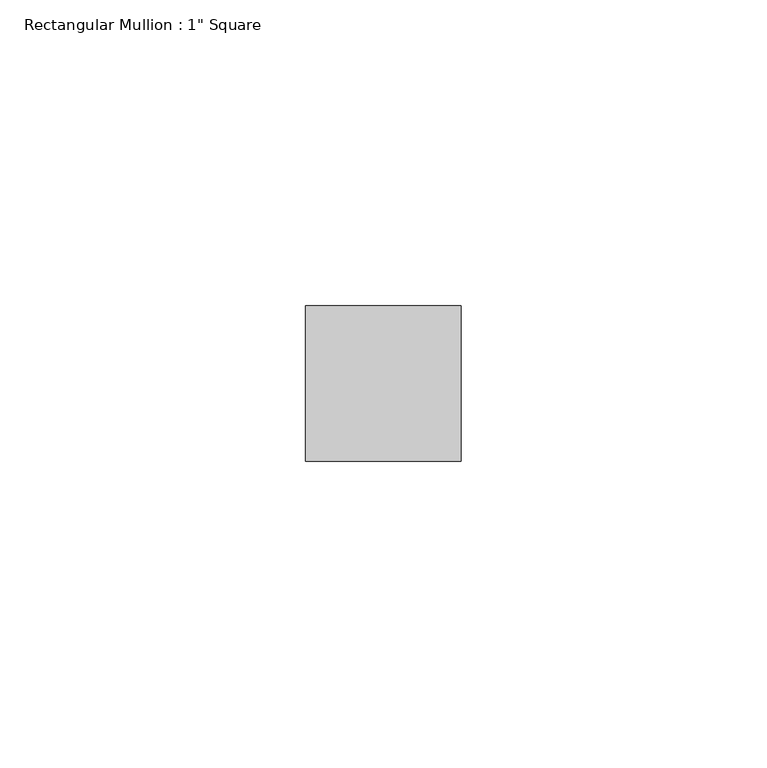
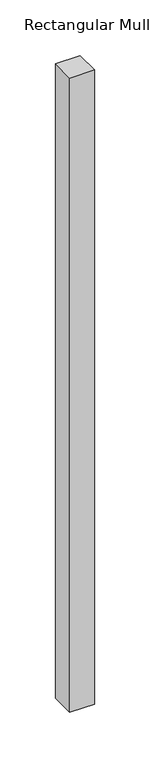
"""IFC4 building model written with IfcOpenShell, lengths in millimetres: member geometry."""

import ifcopenshell
import ifcopenshell.guid

model = None  # the IFC model being written
_history = None  # IfcOwnerHistory: only IFC2X3 demands one
_inside = {}  # id of a spatial element -> (the spatial element, [elements in it])
_under = {}  # id of a project, library or spatial element -> (it, [spatial elements below it])
_declared = {}  # id of a project -> (the project, [libraries it declares])
_typed = {}  # id of a type object -> (the type object, [elements of that type])
_made_of = {}  # id of a material, layer set ... -> (it, [elements and type objects made of it])


def new_model(schema):
    """Start an empty IFC model of exactly this schema.

    Asked for "IFC4X3", IfcOpenShell would pick the latest addendum, in which some entities
    have other attributes; the version numbers below select the first issue.
    IFC2X3 requires an IfcOwnerHistory on every rooted entity: one is made here for all.
    """
    global model, _history
    if schema == "IFC4X3":
        model = ifcopenshell.file(schema_version=(4, 3, 0, 0))
    else:
        model = ifcopenshell.file(schema=schema)
    _inside.clear()
    _under.clear()
    _declared.clear()
    _typed.clear()
    _made_of.clear()
    _history = None
    if model.schema == "IFC2X3":
        org = make("IfcOrganization", Name="unknown")
        user = make(
            "IfcPersonAndOrganization",
            ThePerson=make("IfcPerson", FamilyName="unknown"),
            TheOrganization=org,
        )
        app = make(
            "IfcApplication",
            ApplicationDeveloper=org,
            Version="unknown",
            ApplicationFullName="unknown",
            ApplicationIdentifier="unknown",
        )
        _history = make(
            "IfcOwnerHistory",
            OwningUser=user,
            OwningApplication=app,
            ChangeAction="ADDED",
            CreationDate=0,
        )
    return model


def make(cls, **values):
    """One entity of the class cls with the attributes given. An attribute that is None is left unset."""
    return model.create_entity(
        cls, **{name: value for name, value in values.items() if value is not None}
    )


def rooted(cls, **values):
    """An entity with a GlobalId (a new one), such as an element, a storey or a relation."""
    return make(cls, GlobalId=ifcopenshell.guid.new(), OwnerHistory=_history, **values)


def si_unit(unit_type, name, prefix=None):
    """IfcSIUnit, for example si_unit("LENGTHUNIT", "METRE", prefix="MILLI")."""
    return make("IfcSIUnit", UnitType=unit_type, Prefix=prefix, Name=name)


def assignment(units):
    """IfcUnitAssignment: the units of a project."""
    return None if units is None else make("IfcUnitAssignment", Units=units)


def point(xyz):
    """IfcCartesianPoint."""
    return None if xyz is None else make("IfcCartesianPoint", Coordinates=xyz)


def direction(xyz):
    """IfcDirection."""
    return None if xyz is None else make("IfcDirection", DirectionRatios=xyz)


def frame(location, z_axis=None, x_axis=None):
    """IfcAxis2Placement3D, a coordinate frame: its origin and axes. An axis left out is left unset."""
    return make(
        "IfcAxis2Placement3D",
        Location=point(location),
        Axis=direction(z_axis),
        RefDirection=direction(x_axis),
    )


def origin():
    """The frame at (0, 0, 0) with its axes left unset."""
    return frame((0.0, 0.0, 0.0))


def place(relative_to, where):
    """IfcLocalPlacement: puts the frame where relative to a parent placement (None: the world)."""
    return make(
        "IfcLocalPlacement", PlacementRelTo=relative_to, RelativePlacement=where
    )


def context(
    kind, dimensions, precision=None, world=None, true_north=None, identifier=None
):
    """IfcGeometricRepresentationContext, for example the 3D "Model" context."""
    return make(
        "IfcGeometricRepresentationContext",
        ContextIdentifier=identifier,
        ContextType=kind,
        CoordinateSpaceDimension=dimensions,
        Precision=precision,
        WorldCoordinateSystem=world,
        TrueNorth=true_north,
    )


def project(units=None, contexts=None):
    """IfcProject with its units and contexts."""
    return rooted(
        "IfcProject",
        Name="project",
        RepresentationContexts=contexts,
        UnitsInContext=assignment(units),
    )


def spatial(cls, under=None, at=None, **own):
    """A site, building, storey or space (cls), placed at a placement, below another one or the project."""
    s = rooted(cls, ObjectPlacement=at, **own)
    if under is not None:
        _under.setdefault(under.id(), (under, []))[1].append(s)
    return s


def polyline(points):
    """IfcPolyline through the points."""
    return make("IfcPolyline", Points=[point(p) for p in points])


def outline(outer, holes=None, kind="AREA"):
    """IfcArbitraryClosedProfileDef: a profile drawn as a closed curve; with holes, ...WithVoids."""
    if holes is None:
        return make("IfcArbitraryClosedProfileDef", ProfileType=kind, OuterCurve=outer)
    return make(
        "IfcArbitraryProfileDefWithVoids",
        ProfileType=kind,
        OuterCurve=outer,
        InnerCurves=holes,
    )


def extrude(swept, where, along, depth):
    """IfcExtrudedAreaSolid: the profile swept, set in the frame where, extruded along a direction by depth."""
    return make(
        "IfcExtrudedAreaSolid",
        SweptArea=swept,
        Position=where,
        ExtrudedDirection=direction(along),
        Depth=depth,
    )


def shape(context_of_items, identifier, shape_type, items):
    """IfcShapeRepresentation: the items that make up one representation, for example the "Body"."""
    return make(
        "IfcShapeRepresentation",
        ContextOfItems=context_of_items,
        RepresentationIdentifier=identifier,
        RepresentationType=shape_type,
        Items=items,
    )


def source(mapping_origin, context_of_items, identifier, shape_type, items):
    """IfcRepresentationMap: a shape defined once, which mapped items show again and again."""
    return make(
        "IfcRepresentationMap",
        MappingOrigin=mapping_origin,
        MappedRepresentation=shape(context_of_items, identifier, shape_type, items),
    )


def transform(
    local_origin,
    x_axis=None,
    y_axis=None,
    z_axis=None,
    scale=None,
    scale2=None,
    scale3=None,
    uniform=True,
):
    """IfcCartesianTransformationOperator3D, or its non-uniform kind. x_axis, y_axis, z_axis: its Axis1, 2, 3."""
    if uniform:
        return make(
            "IfcCartesianTransformationOperator3D",
            Axis1=direction(x_axis),
            Axis2=direction(y_axis),
            LocalOrigin=point(local_origin),
            Scale=scale,
            Axis3=direction(z_axis),
        )
    return make(
        "IfcCartesianTransformationOperator3DnonUniform",
        Axis1=direction(x_axis),
        Axis2=direction(y_axis),
        LocalOrigin=point(local_origin),
        Scale=scale,
        Axis3=direction(z_axis),
        Scale2=scale2,
        Scale3=scale3,
    )


def mapped(mapping_source, mapping_target):
    """IfcMappedItem: shows the shape of a source again, moved by a transform."""
    return make(
        "IfcMappedItem", MappingSource=mapping_source, MappingTarget=mapping_target
    )


def made_of(thing, what):
    """Note that an element or type object is made of a material, layer set ...; save() writes the relation."""
    if what is not None:
        _made_of.setdefault(what.id(), (what, []))[1].append(thing)
    return thing


def element(
    cls,
    number,
    at=None,
    inside=None,
    cuts=None,
    type_object=None,
    material=None,
    context=None,
    identifier="Body",
    shape_type=None,
    held_by="IfcProductDefinitionShape",
    body=None,
    shapes=None,
    **own,
):
    """One element of the class cls, such as IfcWall. Its Tag is "e" and its number.

    at: its placement. inside: the storey or other place that contains it. cuts: it is an
    opening in that element (IfcRelVoidsElement). A single representation is given by context,
    identifier, shape_type and body (its items); several are given by shapes. held_by: the class
    of the entity that holds the representations. save() writes the other relations.
    """
    e = rooted(cls, Tag="e%d" % number, ObjectPlacement=at, **own)
    if body is not None:
        shapes = [shape(context, identifier, shape_type, body)]
    if shapes is not None:
        e.Representation = make(held_by, Representations=shapes)
    if inside is not None:
        _inside.setdefault(inside.id(), (inside, []))[1].append(e)
    if cuts is not None:
        rooted(
            "IfcRelVoidsElement", RelatingBuildingElement=cuts, RelatedOpeningElement=e
        )
    if type_object is not None:
        _typed.setdefault(type_object.id(), (type_object, []))[1].append(e)
    return made_of(e, material)


def aggregate(whole, parts):
    """IfcRelAggregates: a whole, such as a stair, and the parts it consists of."""
    return rooted("IfcRelAggregates", RelatingObject=whole, RelatedObjects=parts)


def save(model, path):
    """Write the relations noted so far, then the file.

    IfcRelAggregates (storeys below a building ...), IfcRelContainedInSpatialStructure (elements
    in a storey), IfcRelDefinesByType, IfcRelAssociatesMaterial and IfcRelDeclares: one each for
    every whole, place, type object, material and project.
    """
    for whole, parts in _under.values():
        aggregate(whole, parts)
    for where, things in _inside.values():
        rooted(
            "IfcRelContainedInSpatialStructure",
            RelatedElements=things,
            RelatingStructure=where,
        )
    for kind, things in _typed.values():
        rooted("IfcRelDefinesByType", RelatedObjects=things, RelatingType=kind)
    for what, things in _made_of.values():
        rooted("IfcRelAssociatesMaterial", RelatedObjects=things, RelatingMaterial=what)
    for by, libraries in _declared.values():
        rooted("IfcRelDeclares", RelatingContext=by, RelatedDefinitions=libraries)
    model.write(path)


def member_4863fcab(model_context):
    return source(origin(), model_context, "Body", "SweptSolid", [
        extrude(outline(polyline([(0.0, 12.7), (0.0, -12.7), (-25.4, -12.7), (-25.4, 12.7), (0.0, 12.7)])), frame((0.0, 0.0, -693.7510143), z_axis=(0.0, 0.0, 1.0), x_axis=(1.0, 0.0, 0.0)), (0.0, 0.0, 1.0), 693.7510143),
    ])


if __name__ == "__main__":
    model = new_model("IFC4")
    model_context = context("Model", 3, world=origin())
    ifc_project = project(units=[si_unit("LENGTHUNIT", "METRE", prefix="MILLI")], contexts=[model_context])
    site = spatial("IfcSite", under=ifc_project)
    building = spatial("IfcBuilding", under=site)
    placement = place(None, origin())
    member_shape = member_4863fcab(model_context)
    element("IfcMember", 1, ObjectType="Rectangular Mullion : 1\" Square", at=placement, inside=building, context=model_context, shape_type="MappedRepresentation", body=[
        mapped(member_shape, transform((0.0, 0.0, 0.0), x_axis=(1.0, 0.0, 0.0), y_axis=(0.0, 1.0, 0.0), z_axis=(0.0, 0.0, 1.0))),
    ])
    save(model, "model.ifc")
